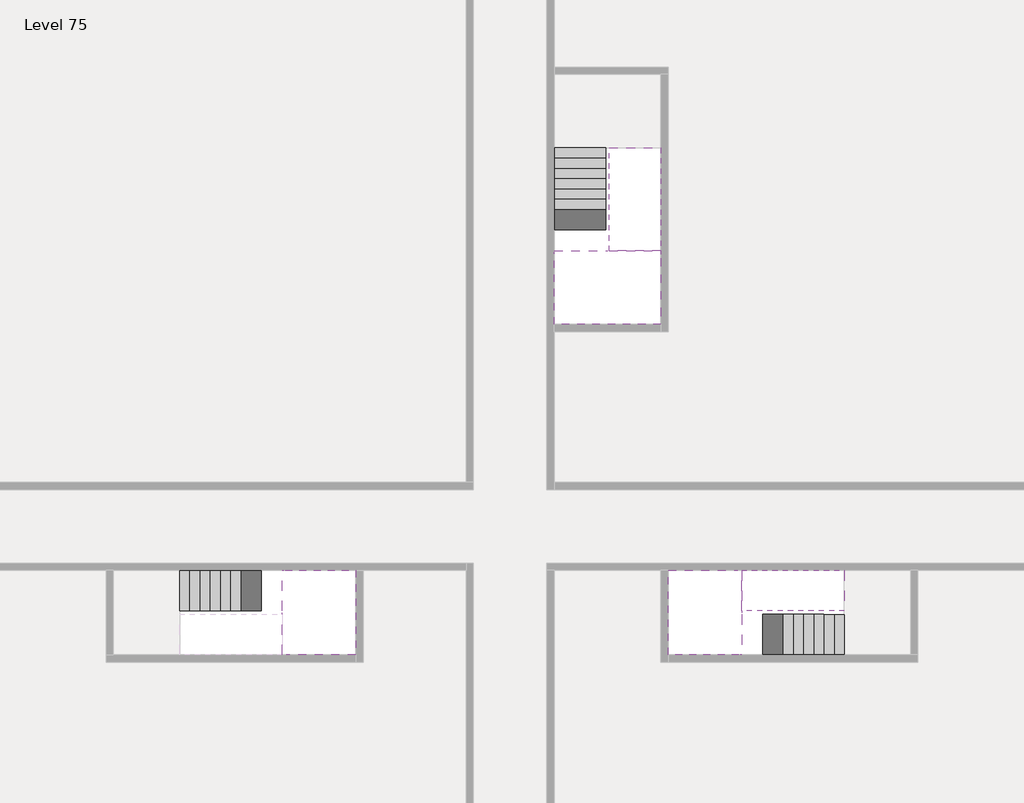
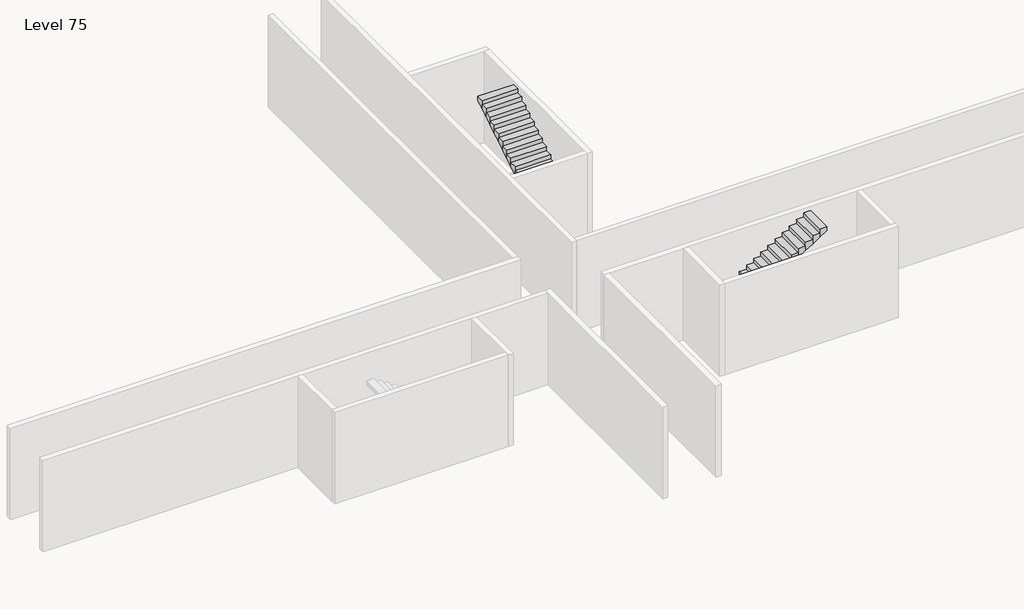
# One storey, part 2 of 2: 5 stair flights, 3 slabs.
"""IFC4 building model written with IfcOpenShell, lengths in millimetres."""

from ifc_helpers import new_model, si_unit, origin, place, context, project, spatial, faceted_brep, element, save

model = new_model("IFC4")

# Units and contexts
model_context = context("Model", 3, world=origin())
ifc_project = project(units=[si_unit("LENGTHUNIT", "METRE", prefix="MILLI")], contexts=[model_context])

# Site, building, storey
site = spatial("IfcSite", under=ifc_project)
building = spatial("IfcBuilding", under=site)
storey = spatial("IfcBuildingStorey", under=building, Name="Level 75", Elevation=281200.0)

# Slabs
placement = place(None, origin())
element("IfcSlab", 1, at=placement, inside=storey, context=model_context, shape_type="Brep", body=[
    faceted_brep([(26790.1058784, -34218.09644, 283100.0), (25390.1058784, -34218.09644, 283100.0), (25390.1058784, -34297.4828763, 283100.0), (25390.1058784, -36218.09644, 283100.0), (28290.1058784, -36218.09644, 283100.0), (28290.1058784, -34418.7100038, 283100.0), (28290.1058784, -34218.09644, 283100.0), (26890.1058784, -34218.09644, 283100.0), (26790.1058784, -34218.09644, 282800.0), (26790.1058784, -34218.09644, 282751.0278478), (25390.1058784, -34218.09644, 282751.0278478), (25390.1058784, -34218.09644, 282927.2727273), (25390.1058784, -34297.4828763, 282800.0), (25390.1058784, -36218.09644, 282800.0), (28290.1058784, -36218.09644, 282800.0), (28290.1058784, -34418.7100038, 282800.0), (28290.1058784, -34218.09644, 282923.7551205), (26890.1058784, -34218.09644, 282923.7551205), (26890.1058784, -34218.09644, 282800.0), (26890.1058784, -34418.7100038, 282800.0), (26790.1058784, -34297.4828763, 282800.0)], [[[0, 1, 2, 3, 4, 5, 6, 7]], [[1, 0, 8, 9, 10, 11]], [[1, 11, 10, 12, 13, 3, 2]], [[4, 3, 13, 14]], [[4, 14, 15, 16, 6, 5]], [[7, 6, 16, 17]], [[0, 7, 17, 18, 8]], [[18, 19, 15, 14, 13, 12, 20, 8]], [[19, 18, 17]], [[20, 12, 10, 9]], [[8, 20, 9]], [[15, 19, 17, 16]]]),
])
element("IfcSlab", 2, at=placement, inside=storey, context=model_context, shape_type="Brep", body=[
    faceted_brep([(30490.1058784, -45218.09644, 283100.0), (30490.1058784, -44118.09644, 283100.0), (30490.1058784, -44018.09644, 283100.0), (30490.1058784, -42918.09644, 283100.0), (30289.4923146, -42918.09644, 283100.0), (28490.1058784, -42918.09644, 283100.0), (28490.1058784, -45218.09644, 283100.0), (30410.7194421, -45218.09644, 283100.0), (30490.1058784, -45218.09644, 282927.2727273), (30490.1058784, -45218.09644, 282751.0278478), (30490.1058784, -44118.09644, 282751.0278478), (30490.1058784, -44118.09644, 282800.0), (30490.1058784, -44018.09644, 282800.0), (30490.1058784, -44018.09644, 282923.7551205), (30490.1058784, -42918.09644, 282923.7551205), (30289.4923146, -42918.09644, 282800.0), (28490.1058784, -42918.09644, 282800.0), (28490.1058784, -45218.09644, 282800.0), (30410.7194421, -45218.09644, 282800.0), (30289.4923146, -44018.09644, 282800.0), (30410.7194421, -44118.09644, 282800.0)], [[[0, 1, 2, 3, 4, 5, 6, 7]], [[1, 0, 8, 9, 10, 11]], [[2, 1, 11, 12, 13]], [[3, 2, 13, 14]], [[3, 14, 15, 16, 5, 4]], [[6, 5, 16, 17]], [[9, 8, 0, 7, 6, 17, 18]], [[19, 12, 11, 20, 18, 17, 16, 15]], [[12, 19, 13]], [[18, 20, 10, 9]], [[20, 11, 10]], [[19, 15, 14, 13]]]),
])
element("IfcSlab", 3, at=placement, inside=storey, context=model_context, shape_type="Brep", body=[
    faceted_brep([(17990.1058784, -42918.09644, 283100.0), (17990.1058784, -44018.09644, 283100.0), (17990.1058784, -44118.09644, 283100.0), (17990.1058784, -45218.09644, 283100.0), (18190.7194421, -45218.09644, 283100.0), (19990.1058784, -45218.09644, 283100.0), (19990.1058784, -42918.09644, 283100.0), (18069.4923146, -42918.09644, 283100.0), (17990.1058784, -42918.09644, 282927.2727273), (17990.1058784, -42918.09644, 282751.0278478), (17990.1058784, -44018.09644, 282751.0278478), (17990.1058784, -44018.09644, 282800.0), (17990.1058784, -44118.09644, 282800.0), (17990.1058784, -44118.09644, 282923.7551205), (17990.1058784, -45218.09644, 282923.7551205), (18190.7194421, -45218.09644, 282800.0), (19990.1058784, -45218.09644, 282800.0), (19990.1058784, -42918.09644, 282800.0), (18069.4923146, -42918.09644, 282800.0), (18190.7194421, -44118.09644, 282800.0), (18069.4923146, -44018.09644, 282800.0)], [[[0, 1, 2, 3, 4, 5, 6, 7]], [[1, 0, 8, 9, 10, 11]], [[2, 1, 11, 12, 13]], [[3, 2, 13, 14]], [[3, 14, 15, 16, 5, 4]], [[6, 5, 16, 17]], [[9, 8, 0, 7, 6, 17, 18]], [[19, 12, 11, 20, 18, 17, 16, 15]], [[12, 19, 13]], [[18, 20, 10, 9]], [[20, 11, 10]], [[19, 15, 14, 13]]]),
])

# Stair flights
element("IfcStairFlight", 4, at=placement, inside=storey, context=model_context, shape_type="Brep", body=[
    faceted_brep([(26790.1058784, -31698.09644, 281372.7272727), (26790.1058784, -31418.09644, 281372.7272727), (25390.1058784, -31418.09644, 281372.7272727), (25390.1058784, -31698.09644, 281372.7272727), (26790.1058784, -31698.09644, 281200.0), (26790.1058784, -31418.09644, 281200.0), (25390.1058784, -31418.09644, 281200.0), (25390.1058784, -31698.09644, 281200.0), (26790.1058784, -31978.09644, 281545.4545455), (26790.1058784, -31698.09644, 281545.4545455), (25390.1058784, -31698.09644, 281545.4545455), (25390.1058784, -31978.09644, 281545.4545455), (26790.1058784, -31978.09644, 281369.209666), (26790.1058784, -31703.7986657, 281200.0), (25390.1058784, -31703.7986657, 281200.0), (25390.1058784, -31978.09644, 281369.209666), (26790.1058784, -32258.09644, 281718.1818182), (26790.1058784, -31978.09644, 281718.1818182), (25390.1058784, -31978.09644, 281718.1818182), (25390.1058784, -32258.09644, 281718.1818182), (26790.1058784, -32258.09644, 281541.9369387), (25390.1058784, -32258.09644, 281541.9369387), (26790.1058784, -32538.09644, 281890.9090909), (26790.1058784, -32258.09644, 281890.9090909), (25390.1058784, -32258.09644, 281890.9090909), (25390.1058784, -32538.09644, 281890.9090909), (26790.1058784, -32538.09644, 281714.6642114), (25390.1058784, -32538.09644, 281714.6642114), (26790.1058784, -32818.09644, 282063.6363636), (26790.1058784, -32538.09644, 282063.6363636), (25390.1058784, -32538.09644, 282063.6363636), (25390.1058784, -32818.09644, 282063.6363636), (26790.1058784, -32818.09644, 281887.3914841), (25390.1058784, -32818.09644, 281887.3914841), (26790.1058784, -33098.09644, 282236.3636364), (26790.1058784, -32818.09644, 282236.3636364), (25390.1058784, -32818.09644, 282236.3636364), (25390.1058784, -33098.09644, 282236.3636364), (26790.1058784, -33098.09644, 282060.1187569), (25390.1058784, -33098.09644, 282060.1187569), (26790.1058784, -33378.09644, 282409.0909091), (26790.1058784, -33098.09644, 282409.0909091), (25390.1058784, -33098.09644, 282409.0909091), (25390.1058784, -33378.09644, 282409.0909091), (26790.1058784, -33378.09644, 282232.8460296), (25390.1058784, -33378.09644, 282232.8460296), (26790.1058784, -33658.09644, 282581.8181818), (26790.1058784, -33378.09644, 282581.8181818), (25390.1058784, -33378.09644, 282581.8181818), (25390.1058784, -33658.09644, 282581.8181818), (26790.1058784, -33658.09644, 282405.5733023), (25390.1058784, -33658.09644, 282405.5733023), (26790.1058784, -33938.09644, 282754.5454545), (26790.1058784, -33658.09644, 282754.5454545), (25390.1058784, -33658.09644, 282754.5454545), (25390.1058784, -33938.09644, 282754.5454545), (26790.1058784, -33938.09644, 282578.3005751), (25390.1058784, -33938.09644, 282578.3005751), (26790.1058784, -34218.09644, 282927.2727273), (26790.1058784, -33938.09644, 282927.2727273), (25390.1058784, -33938.09644, 282927.2727273), (25390.1058784, -34218.09644, 282927.2727273), (26790.1058784, -34218.09644, 282800.0), (26790.1058784, -34218.09644, 282751.0278478), (25390.1058784, -34218.09644, 282751.0278478)], [[[0, 1, 2, 3]], [[1, 0, 4, 5]], [[2, 1, 5, 6]], [[3, 2, 6, 7]], [[8, 9, 10, 11]], [[4, 0, 9, 8, 12, 13]], [[0, 3, 10, 9]], [[3, 7, 14, 15, 11, 10]], [[16, 17, 18, 19]], [[17, 16, 20, 12, 8]], [[8, 11, 18, 17]], [[19, 18, 11, 15, 21]], [[22, 23, 24, 25]], [[23, 22, 26, 20, 16]], [[16, 19, 24, 23]], [[25, 24, 19, 21, 27]], [[28, 29, 30, 31]], [[29, 28, 32, 26, 22]], [[22, 25, 30, 29]], [[31, 30, 25, 27, 33]], [[34, 35, 36, 37]], [[35, 34, 38, 32, 28]], [[28, 31, 36, 35]], [[37, 36, 31, 33, 39]], [[40, 41, 42, 43]], [[41, 40, 44, 38, 34]], [[34, 37, 42, 41]], [[43, 42, 37, 39, 45]], [[46, 47, 48, 49]], [[47, 46, 50, 44, 40]], [[40, 43, 48, 47]], [[49, 48, 43, 45, 51]], [[52, 53, 54, 55]], [[53, 52, 56, 50, 46]], [[46, 49, 54, 53]], [[55, 54, 49, 51, 57]], [[58, 59, 60, 61]], [[59, 58, 62, 63, 56, 52]], [[52, 55, 60, 59]], [[61, 60, 55, 57, 64]], [[58, 61, 64, 63, 62]], [[5, 4, 13, 14, 7, 6]], [[14, 13, 12, 20, 26, 32, 38, 44, 50, 56, 63, 64, 57, 51, 45, 39, 33, 27, 21, 15]]]),
])
element("IfcStairFlight", 5, at=placement, inside=storey, context=model_context, shape_type="Brep", body=[
    faceted_brep([(26890.1058784, -33938.09644, 283272.7272727), (26890.1058784, -34218.09644, 283272.7272727), (28290.1058784, -34218.09644, 283272.7272727), (28290.1058784, -33938.09644, 283272.7272727), (26890.1058784, -33938.09644, 283096.4823932), (26890.1058784, -34218.09644, 282923.7551205), (28290.1058784, -34218.09644, 282923.7551205), (28290.1058784, -34218.09644, 283100.0), (28290.1058784, -33938.09644, 283096.4823932), (26890.1058784, -33658.09644, 283445.4545455), (26890.1058784, -33938.09644, 283445.4545455), (28290.1058784, -33938.09644, 283445.4545455), (28290.1058784, -33658.09644, 283445.4545455), (26890.1058784, -33658.09644, 283269.209666), (28290.1058784, -33658.09644, 283269.209666), (26890.1058784, -33378.09644, 283618.1818182), (26890.1058784, -33658.09644, 283618.1818182), (28290.1058784, -33658.09644, 283618.1818182), (28290.1058784, -33378.09644, 283618.1818182), (26890.1058784, -33378.09644, 283441.9369387), (28290.1058784, -33378.09644, 283441.9369387), (26890.1058784, -33098.09644, 283790.9090909), (26890.1058784, -33378.09644, 283790.9090909), (28290.1058784, -33378.09644, 283790.9090909), (28290.1058784, -33098.09644, 283790.9090909), (26890.1058784, -33098.09644, 283614.6642114), (28290.1058784, -33098.09644, 283614.6642114), (26890.1058784, -32818.09644, 283963.6363636), (26890.1058784, -33098.09644, 283963.6363636), (28290.1058784, -33098.09644, 283963.6363636), (28290.1058784, -32818.09644, 283963.6363636), (26890.1058784, -32818.09644, 283787.3914841), (28290.1058784, -32818.09644, 283787.3914841), (26890.1058784, -32538.09644, 284136.3636364), (26890.1058784, -32818.09644, 284136.3636364), (28290.1058784, -32818.09644, 284136.3636364), (28290.1058784, -32538.09644, 284136.3636364), (26890.1058784, -32538.09644, 283960.1187569), (28290.1058784, -32538.09644, 283960.1187569), (26890.1058784, -32258.09644, 284309.0909091), (26890.1058784, -32538.09644, 284309.0909091), (28290.1058784, -32538.09644, 284309.0909091), (28290.1058784, -32258.09644, 284309.0909091), (26890.1058784, -32258.09644, 284132.8460296), (28290.1058784, -32258.09644, 284132.8460296), (26890.1058784, -31978.09644, 284481.8181818), (26890.1058784, -32258.09644, 284481.8181818), (28290.1058784, -32258.09644, 284481.8181818), (28290.1058784, -31978.09644, 284481.8181818), (26890.1058784, -31978.09644, 284305.5733023), (28290.1058784, -31978.09644, 284305.5733023), (26890.1058784, -31698.09644, 284654.5454545), (26890.1058784, -31978.09644, 284654.5454545), (28290.1058784, -31978.09644, 284654.5454545), (28290.1058784, -31698.09644, 284654.5454545), (26890.1058784, -31698.09644, 284478.3005751), (28290.1058784, -31698.09644, 284478.3005751), (26890.1058784, -31418.09644, 284827.2727273), (26890.1058784, -31698.09644, 284827.2727273), (28290.1058784, -31698.09644, 284827.2727273), (28290.1058784, -31418.09644, 284827.2727273), (26890.1058784, -31418.09644, 284651.0278478), (28290.1058784, -31418.09644, 284651.0278478)], [[[0, 1, 2, 3]], [[1, 0, 4, 5]], [[2, 1, 5, 6, 7]], [[3, 2, 7, 6, 8]], [[9, 10, 11, 12]], [[10, 9, 13, 4, 0]], [[11, 10, 0, 3]], [[12, 11, 3, 8, 14]], [[15, 16, 17, 18]], [[16, 15, 19, 13, 9]], [[17, 16, 9, 12]], [[18, 17, 12, 14, 20]], [[21, 22, 23, 24]], [[22, 21, 25, 19, 15]], [[23, 22, 15, 18]], [[24, 23, 18, 20, 26]], [[27, 28, 29, 30]], [[28, 27, 31, 25, 21]], [[29, 28, 21, 24]], [[30, 29, 24, 26, 32]], [[33, 34, 35, 36]], [[34, 33, 37, 31, 27]], [[35, 34, 27, 30]], [[36, 35, 30, 32, 38]], [[39, 40, 41, 42]], [[40, 39, 43, 37, 33]], [[41, 40, 33, 36]], [[42, 41, 36, 38, 44]], [[45, 46, 47, 48]], [[46, 45, 49, 43, 39]], [[47, 46, 39, 42]], [[48, 47, 42, 44, 50]], [[51, 52, 53, 54]], [[52, 51, 55, 49, 45]], [[53, 52, 45, 48]], [[54, 53, 48, 50, 56]], [[57, 58, 59, 60]], [[58, 57, 61, 55, 51]], [[59, 58, 51, 54]], [[60, 59, 54, 56, 62]], [[57, 60, 62, 61]], [[5, 4, 13, 19, 25, 31, 37, 43, 49, 55, 61, 62, 56, 50, 44, 38, 32, 26, 20, 14, 8, 6]]]),
])
element("IfcStairFlight", 6, at=placement, inside=storey, context=model_context, shape_type="Brep", body=[
    faceted_brep([(33010.1058784, -45218.09644, 281372.7272727), (33290.1058784, -45218.09644, 281372.7272727), (33290.1058784, -44118.09644, 281372.7272727), (33010.1058784, -44118.09644, 281372.7272727), (33010.1058784, -45218.09644, 281200.0), (33290.1058784, -45218.09644, 281200.0), (33290.1058784, -44118.09644, 281200.0), (33010.1058784, -44118.09644, 281200.0), (32730.1058784, -45218.09644, 281545.4545455), (33010.1058784, -45218.09644, 281545.4545455), (33010.1058784, -44118.09644, 281545.4545455), (32730.1058784, -44118.09644, 281545.4545455), (32730.1058784, -45218.09644, 281369.209666), (33004.4036527, -45218.09644, 281200.0), (33004.4036527, -44118.09644, 281200.0), (32730.1058784, -44118.09644, 281369.209666), (32450.1058784, -45218.09644, 281718.1818182), (32730.1058784, -45218.09644, 281718.1818182), (32730.1058784, -44118.09644, 281718.1818182), (32450.1058784, -44118.09644, 281718.1818182), (32450.1058784, -45218.09644, 281541.9369387), (32450.1058784, -44118.09644, 281541.9369387), (32170.1058784, -45218.09644, 281890.9090909), (32450.1058784, -45218.09644, 281890.9090909), (32450.1058784, -44118.09644, 281890.9090909), (32170.1058784, -44118.09644, 281890.9090909), (32170.1058784, -45218.09644, 281714.6642114), (32170.1058784, -44118.09644, 281714.6642114), (31890.1058784, -45218.09644, 282063.6363636), (32170.1058784, -45218.09644, 282063.6363636), (32170.1058784, -44118.09644, 282063.6363636), (31890.1058784, -44118.09644, 282063.6363636), (31890.1058784, -45218.09644, 281887.3914841), (31890.1058784, -44118.09644, 281887.3914841), (31610.1058784, -45218.09644, 282236.3636364), (31890.1058784, -45218.09644, 282236.3636364), (31890.1058784, -44118.09644, 282236.3636364), (31610.1058784, -44118.09644, 282236.3636364), (31610.1058784, -45218.09644, 282060.1187569), (31610.1058784, -44118.09644, 282060.1187569), (31330.1058784, -45218.09644, 282409.0909091), (31610.1058784, -45218.09644, 282409.0909091), (31610.1058784, -44118.09644, 282409.0909091), (31330.1058784, -44118.09644, 282409.0909091), (31330.1058784, -45218.09644, 282232.8460296), (31330.1058784, -44118.09644, 282232.8460296), (31050.1058784, -45218.09644, 282581.8181818), (31330.1058784, -45218.09644, 282581.8181818), (31330.1058784, -44118.09644, 282581.8181818), (31050.1058784, -44118.09644, 282581.8181818), (31050.1058784, -45218.09644, 282405.5733023), (31050.1058784, -44118.09644, 282405.5733023), (30770.1058784, -45218.09644, 282754.5454545), (31050.1058784, -45218.09644, 282754.5454545), (31050.1058784, -44118.09644, 282754.5454545), (30770.1058784, -44118.09644, 282754.5454545), (30770.1058784, -45218.09644, 282578.3005751), (30770.1058784, -44118.09644, 282578.3005751), (30490.1058784, -45218.09644, 282927.2727273), (30770.1058784, -45218.09644, 282927.2727273), (30770.1058784, -44118.09644, 282927.2727273), (30490.1058784, -44118.09644, 282927.2727273), (30490.1058784, -45218.09644, 282751.0278478), (30490.1058784, -44118.09644, 282751.0278478), (30490.1058784, -44118.09644, 282800.0)], [[[0, 1, 2, 3]], [[1, 0, 4, 5]], [[2, 1, 5, 6]], [[3, 2, 6, 7]], [[8, 9, 10, 11]], [[4, 0, 9, 8, 12, 13]], [[0, 3, 10, 9]], [[3, 7, 14, 15, 11, 10]], [[16, 17, 18, 19]], [[17, 16, 20, 12, 8]], [[8, 11, 18, 17]], [[19, 18, 11, 15, 21]], [[22, 23, 24, 25]], [[23, 22, 26, 20, 16]], [[16, 19, 24, 23]], [[25, 24, 19, 21, 27]], [[28, 29, 30, 31]], [[29, 28, 32, 26, 22]], [[22, 25, 30, 29]], [[31, 30, 25, 27, 33]], [[34, 35, 36, 37]], [[35, 34, 38, 32, 28]], [[28, 31, 36, 35]], [[37, 36, 31, 33, 39]], [[40, 41, 42, 43]], [[41, 40, 44, 38, 34]], [[34, 37, 42, 41]], [[43, 42, 37, 39, 45]], [[46, 47, 48, 49]], [[47, 46, 50, 44, 40]], [[40, 43, 48, 47]], [[49, 48, 43, 45, 51]], [[52, 53, 54, 55]], [[53, 52, 56, 50, 46]], [[46, 49, 54, 53]], [[55, 54, 49, 51, 57]], [[58, 59, 60, 61]], [[59, 58, 62, 56, 52]], [[52, 55, 60, 59]], [[61, 60, 55, 57, 63, 64]], [[58, 61, 64, 63, 62]], [[5, 4, 13, 14, 7, 6]], [[14, 13, 12, 20, 26, 32, 38, 44, 50, 56, 62, 63, 57, 51, 45, 39, 33, 27, 21, 15]]]),
])
element("IfcStairFlight", 7, at=placement, inside=storey, context=model_context, shape_type="Brep", body=[
    faceted_brep([(30770.1058784, -42918.09644, 283272.7272727), (30490.1058784, -42918.09644, 283272.7272727), (30490.1058784, -44018.09644, 283272.7272727), (30770.1058784, -44018.09644, 283272.7272727), (30770.1058784, -42918.09644, 283096.4823932), (30490.1058784, -42918.09644, 282923.7551205), (30490.1058784, -42918.09644, 283100.0), (30490.1058784, -44018.09644, 282923.7551205), (30770.1058784, -44018.09644, 283096.4823932), (31050.1058784, -42918.09644, 283445.4545455), (30770.1058784, -42918.09644, 283445.4545455), (30770.1058784, -44018.09644, 283445.4545455), (31050.1058784, -44018.09644, 283445.4545455), (31050.1058784, -42918.09644, 283269.209666), (31050.1058784, -44018.09644, 283269.209666), (31330.1058784, -42918.09644, 283618.1818182), (31050.1058784, -42918.09644, 283618.1818182), (31050.1058784, -44018.09644, 283618.1818182), (31330.1058784, -44018.09644, 283618.1818182), (31330.1058784, -42918.09644, 283441.9369387), (31330.1058784, -44018.09644, 283441.9369387), (31610.1058784, -42918.09644, 283790.9090909), (31330.1058784, -42918.09644, 283790.9090909), (31330.1058784, -44018.09644, 283790.9090909), (31610.1058784, -44018.09644, 283790.9090909), (31610.1058784, -42918.09644, 283614.6642114), (31610.1058784, -44018.09644, 283614.6642114), (31890.1058784, -42918.09644, 283963.6363636), (31610.1058784, -42918.09644, 283963.6363636), (31610.1058784, -44018.09644, 283963.6363636), (31890.1058784, -44018.09644, 283963.6363636), (31890.1058784, -42918.09644, 283787.3914841), (31890.1058784, -44018.09644, 283787.3914841), (32170.1058784, -42918.09644, 284136.3636364), (31890.1058784, -42918.09644, 284136.3636364), (31890.1058784, -44018.09644, 284136.3636364), (32170.1058784, -44018.09644, 284136.3636364), (32170.1058784, -42918.09644, 283960.1187569), (32170.1058784, -44018.09644, 283960.1187569), (32450.1058784, -42918.09644, 284309.0909091), (32170.1058784, -42918.09644, 284309.0909091), (32170.1058784, -44018.09644, 284309.0909091), (32450.1058784, -44018.09644, 284309.0909091), (32450.1058784, -42918.09644, 284132.8460296), (32450.1058784, -44018.09644, 284132.8460296), (32730.1058784, -42918.09644, 284481.8181818), (32450.1058784, -42918.09644, 284481.8181818), (32450.1058784, -44018.09644, 284481.8181818), (32730.1058784, -44018.09644, 284481.8181818), (32730.1058784, -42918.09644, 284305.5733023), (32730.1058784, -44018.09644, 284305.5733023), (33010.1058784, -42918.09644, 284654.5454545), (32730.1058784, -42918.09644, 284654.5454545), (32730.1058784, -44018.09644, 284654.5454545), (33010.1058784, -44018.09644, 284654.5454545), (33010.1058784, -42918.09644, 284478.3005751), (33010.1058784, -44018.09644, 284478.3005751), (33290.1058784, -42918.09644, 284827.2727273), (33010.1058784, -42918.09644, 284827.2727273), (33010.1058784, -44018.09644, 284827.2727273), (33290.1058784, -44018.09644, 284827.2727273), (33290.1058784, -42918.09644, 284651.0278478), (33290.1058784, -44018.09644, 284651.0278478)], [[[0, 1, 2, 3]], [[1, 0, 4, 5, 6]], [[2, 1, 6, 5, 7]], [[3, 2, 7, 8]], [[9, 10, 11, 12]], [[10, 9, 13, 4, 0]], [[11, 10, 0, 3]], [[12, 11, 3, 8, 14]], [[15, 16, 17, 18]], [[16, 15, 19, 13, 9]], [[17, 16, 9, 12]], [[18, 17, 12, 14, 20]], [[21, 22, 23, 24]], [[22, 21, 25, 19, 15]], [[23, 22, 15, 18]], [[24, 23, 18, 20, 26]], [[27, 28, 29, 30]], [[28, 27, 31, 25, 21]], [[29, 28, 21, 24]], [[30, 29, 24, 26, 32]], [[33, 34, 35, 36]], [[34, 33, 37, 31, 27]], [[35, 34, 27, 30]], [[36, 35, 30, 32, 38]], [[39, 40, 41, 42]], [[40, 39, 43, 37, 33]], [[41, 40, 33, 36]], [[42, 41, 36, 38, 44]], [[45, 46, 47, 48]], [[46, 45, 49, 43, 39]], [[47, 46, 39, 42]], [[48, 47, 42, 44, 50]], [[51, 52, 53, 54]], [[52, 51, 55, 49, 45]], [[53, 52, 45, 48]], [[54, 53, 48, 50, 56]], [[57, 58, 59, 60]], [[58, 57, 61, 55, 51]], [[59, 58, 51, 54]], [[60, 59, 54, 56, 62]], [[57, 60, 62, 61]], [[5, 4, 13, 19, 25, 31, 37, 43, 49, 55, 61, 62, 56, 50, 44, 38, 32, 26, 20, 14, 8, 7]]]),
])
element("IfcStairFlight", 8, at=placement, inside=storey, context=model_context, shape_type="Brep", body=[
    faceted_brep([(15470.1058784, -42918.09644, 281372.7272727), (15190.1058784, -42918.09644, 281372.7272727), (15190.1058784, -44018.09644, 281372.7272727), (15470.1058784, -44018.09644, 281372.7272727), (15470.1058784, -42918.09644, 281200.0), (15190.1058784, -42918.09644, 281200.0), (15190.1058784, -44018.09644, 281200.0), (15470.1058784, -44018.09644, 281200.0), (15750.1058784, -42918.09644, 281545.4545455), (15470.1058784, -42918.09644, 281545.4545455), (15470.1058784, -44018.09644, 281545.4545455), (15750.1058784, -44018.09644, 281545.4545455), (15750.1058784, -42918.09644, 281369.209666), (15475.8081041, -42918.09644, 281200.0), (15475.8081041, -44018.09644, 281200.0), (15750.1058784, -44018.09644, 281369.209666), (16030.1058784, -42918.09644, 281718.1818182), (15750.1058784, -42918.09644, 281718.1818182), (15750.1058784, -44018.09644, 281718.1818182), (16030.1058784, -44018.09644, 281718.1818182), (16030.1058784, -42918.09644, 281541.9369387), (16030.1058784, -44018.09644, 281541.9369387), (16310.1058784, -42918.09644, 281890.9090909), (16030.1058784, -42918.09644, 281890.9090909), (16030.1058784, -44018.09644, 281890.9090909), (16310.1058784, -44018.09644, 281890.9090909), (16310.1058784, -42918.09644, 281714.6642114), (16310.1058784, -44018.09644, 281714.6642114), (16590.1058784, -42918.09644, 282063.6363636), (16310.1058784, -42918.09644, 282063.6363636), (16310.1058784, -44018.09644, 282063.6363636), (16590.1058784, -44018.09644, 282063.6363636), (16590.1058784, -42918.09644, 281887.3914841), (16590.1058784, -44018.09644, 281887.3914841), (16870.1058784, -42918.09644, 282236.3636364), (16590.1058784, -42918.09644, 282236.3636364), (16590.1058784, -44018.09644, 282236.3636364), (16870.1058784, -44018.09644, 282236.3636364), (16870.1058784, -42918.09644, 282060.1187569), (16870.1058784, -44018.09644, 282060.1187569), (17150.1058784, -42918.09644, 282409.0909091), (16870.1058784, -42918.09644, 282409.0909091), (16870.1058784, -44018.09644, 282409.0909091), (17150.1058784, -44018.09644, 282409.0909091), (17150.1058784, -42918.09644, 282232.8460296), (17150.1058784, -44018.09644, 282232.8460296), (17430.1058784, -42918.09644, 282581.8181818), (17150.1058784, -42918.09644, 282581.8181818), (17150.1058784, -44018.09644, 282581.8181818), (17430.1058784, -44018.09644, 282581.8181818), (17430.1058784, -42918.09644, 282405.5733023), (17430.1058784, -44018.09644, 282405.5733023), (17710.1058784, -42918.09644, 282754.5454545), (17430.1058784, -42918.09644, 282754.5454545), (17430.1058784, -44018.09644, 282754.5454545), (17710.1058784, -44018.09644, 282754.5454545), (17710.1058784, -42918.09644, 282578.3005751), (17710.1058784, -44018.09644, 282578.3005751), (17990.1058784, -42918.09644, 282927.2727273), (17710.1058784, -42918.09644, 282927.2727273), (17710.1058784, -44018.09644, 282927.2727273), (17990.1058784, -44018.09644, 282927.2727273), (17990.1058784, -42918.09644, 282751.0278478), (17990.1058784, -44018.09644, 282751.0278478), (17990.1058784, -44018.09644, 282800.0)], [[[0, 1, 2, 3]], [[1, 0, 4, 5]], [[2, 1, 5, 6]], [[3, 2, 6, 7]], [[8, 9, 10, 11]], [[4, 0, 9, 8, 12, 13]], [[0, 3, 10, 9]], [[3, 7, 14, 15, 11, 10]], [[16, 17, 18, 19]], [[17, 16, 20, 12, 8]], [[8, 11, 18, 17]], [[19, 18, 11, 15, 21]], [[22, 23, 24, 25]], [[23, 22, 26, 20, 16]], [[16, 19, 24, 23]], [[25, 24, 19, 21, 27]], [[28, 29, 30, 31]], [[29, 28, 32, 26, 22]], [[22, 25, 30, 29]], [[31, 30, 25, 27, 33]], [[34, 35, 36, 37]], [[35, 34, 38, 32, 28]], [[28, 31, 36, 35]], [[37, 36, 31, 33, 39]], [[40, 41, 42, 43]], [[41, 40, 44, 38, 34]], [[34, 37, 42, 41]], [[43, 42, 37, 39, 45]], [[46, 47, 48, 49]], [[47, 46, 50, 44, 40]], [[40, 43, 48, 47]], [[49, 48, 43, 45, 51]], [[52, 53, 54, 55]], [[53, 52, 56, 50, 46]], [[46, 49, 54, 53]], [[55, 54, 49, 51, 57]], [[58, 59, 60, 61]], [[59, 58, 62, 56, 52]], [[52, 55, 60, 59]], [[61, 60, 55, 57, 63, 64]], [[58, 61, 64, 63, 62]], [[5, 4, 13, 14, 7, 6]], [[14, 13, 12, 20, 26, 32, 38, 44, 50, 56, 62, 63, 57, 51, 45, 39, 33, 27, 21, 15]]]),
])

save(model, "model.ifc")
